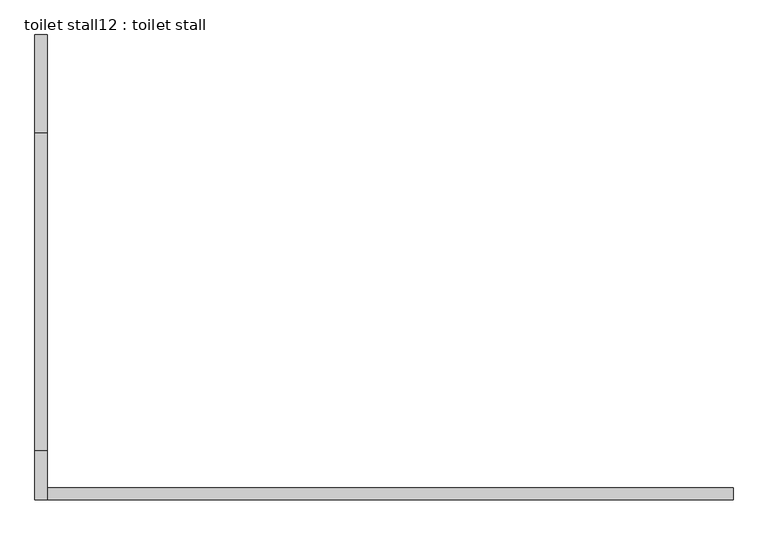
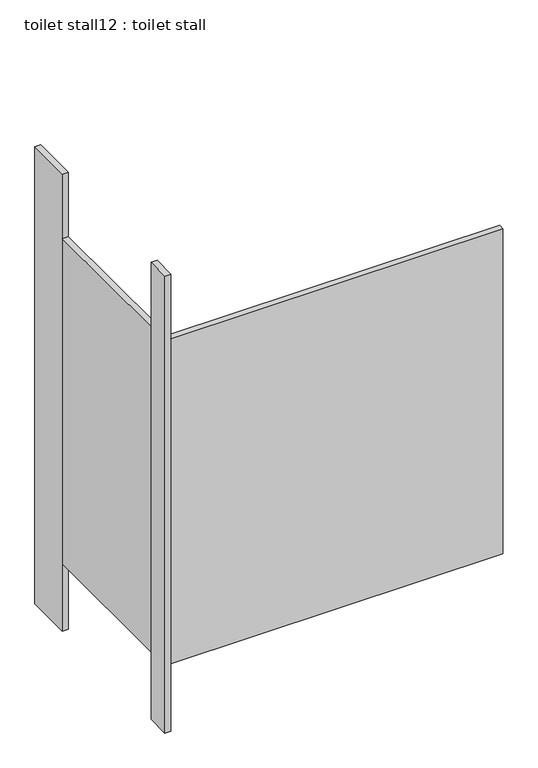
"""IFC4 building model written with IfcOpenShell, lengths in millimetres: proxy geometry, toilet stall12 : toilet stall."""

from ifc_helpers import new_model, si_unit, frame, origin, origin_with_axes, place, context, project, spatial, polyline, outline, extrude, source, transform, mapped, element, save


def toilet_stall12_toilet_stall_a72fb74b(model_context):
    return source(origin(), model_context, "Body", "SweptSolid", [
        extrude(outline(polyline([(454658.2004676, -276311.4988632), (454632.8004676, -276311.4988632), (454632.8004676, -276108.2988632), (454658.2004676, -276108.2988632), (454658.2004676, -276311.4988632)])), origin_with_axes(), (0.0, 0.0, 1.0), 2070.1),
        extrude(outline(polyline([(454658.2004676, -277073.4988632), (454632.8004676, -277073.4988632), (454632.8004676, -276971.8988632), (454658.2004676, -276971.8988632), (454658.2004676, -277073.4988632)])), origin_with_axes(), (0.0, 0.0, 1.0), 2070.1),
        extrude(outline(polyline([(454658.2004676, -277073.4988632), (454658.2004676, -277048.0988632), (456080.6004676, -277048.0988632), (456080.6004676, -277073.4988632), (454658.2004676, -277073.4988632)])), frame((0.0, 0.0, 304.8), z_axis=(0.0, 0.0, 1.0), x_axis=(1.0, 0.0, 0.0)), (0.0, 0.0, 1.0), 1473.2),
        extrude(outline(polyline([(454658.2004676, -276971.8988632), (454632.8004676, -276971.8988632), (454632.8004676, -276311.4988632), (454658.2004676, -276311.4988632), (454658.2004676, -276971.8988632)])), frame((0.0, 0.0, 304.8), z_axis=(0.0, 0.0, 1.0), x_axis=(1.0, 0.0, 0.0)), (0.0, 0.0, 1.0), 1473.2),
    ])


if __name__ == "__main__":
    model = new_model("IFC4")
    model_context = context("Model", 3, world=origin())
    ifc_project = project(units=[si_unit("LENGTHUNIT", "METRE", prefix="MILLI")], contexts=[model_context])
    site = spatial("IfcSite", under=ifc_project)
    building = spatial("IfcBuilding", under=site)
    placement = place(None, origin())
    toilet_stall12_toilet_stall_shape = toilet_stall12_toilet_stall_a72fb74b(model_context)
    element("IfcBuildingElementProxy", 1, Name="toilet stall12 : toilet stall", ObjectType="toilet stall12 : toilet stall", at=placement, inside=building, context=model_context, shape_type="MappedRepresentation", body=[
        mapped(toilet_stall12_toilet_stall_shape, transform((0.0, 0.0, 0.0), x_axis=(1.0, 0.0, 0.0), y_axis=(0.0, 1.0, 0.0), z_axis=(0.0, 0.0, 1.0))),
    ])
    save(model, "model.ifc")
